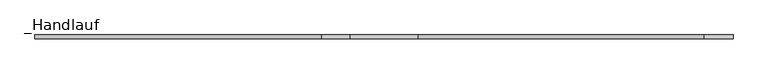
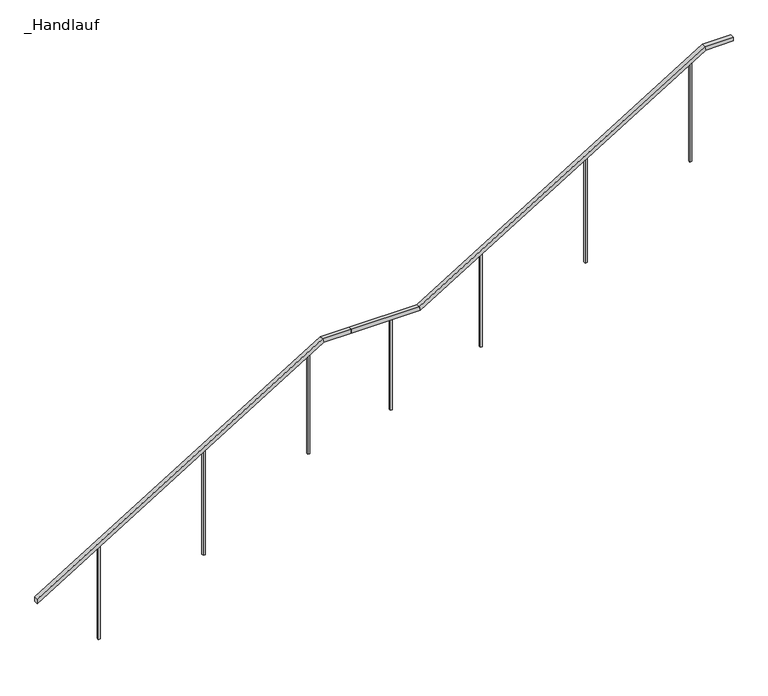
"""IFC4 building model written with IfcOpenShell, lengths in millimetres: railing geometry, _Handlauf."""

from ifc_helpers import new_model, si_unit, frame, origin, place, context, project, spatial, polyline, outline, extrude, faceted_brep, source, transform, mapped, element, save


def handlauf_0159bdf5(model_context):
    return source(origin(), model_context, "Body", "SolidModel", [
        faceted_brep([(1990.0, 7237.6, 1000.0), (1990.0, 7237.6, 953.0610765), (1990.0, 7197.6, 953.0610765), (1990.0, 7197.6, 1000.0), (4840.0, 7197.6, 2750.0), (4840.0, 7237.6, 2750.0), (4851.3005326, 7197.6, 2710.0), (4851.3005326, 7237.6, 2710.0), (5125.0, 7237.6, 2750.0), (5125.0, 7197.6, 2750.0), (5125.0, 7197.6, 2710.0), (5125.0, 7237.6, 2710.0)], [[[0, 1, 2, 3]], [[0, 3, 4, 5]], [[3, 2, 6, 4]], [[2, 1, 7, 6]], [[1, 0, 5, 7]], [[8, 9, 10, 11]], [[5, 4, 9, 8]], [[4, 6, 10, 9]], [[6, 7, 11, 10]], [[7, 5, 8, 11]]]),
        faceted_brep([(5125.0, 7237.6, 2750.0), (5125.0, 7237.6, 2710.0), (5125.0, 7197.6, 2710.0), (5125.0, 7197.6, 2750.0), (5805.2300045, 7237.6, 2750.0), (5805.2300045, 7197.6, 2750.0), (5816.5305371, 7197.6, 2710.0), (5816.5305371, 7237.6, 2710.0)], [[[0, 1, 2, 3]], [[4, 5, 6, 7]], [[0, 3, 5, 4]], [[3, 2, 6, 5]], [[2, 1, 7, 6]], [[1, 0, 4, 7]]]),
        faceted_brep([(5805.2300045, 7237.6, 2750.0), (5816.5305371, 7237.6, 2710.0), (5816.5305371, 7197.6, 2710.0), (5805.2300045, 7197.6, 2750.0), (8655.2300045, 7197.6, 4500.0), (8655.2300045, 7237.6, 4500.0), (8666.5305371, 7197.6, 4460.0), (8666.5305371, 7237.6, 4460.0), (8940.2300045, 7237.6, 4500.0), (8940.2300045, 7197.6, 4500.0), (8940.2300045, 7197.6, 4460.0), (8940.2300045, 7237.6, 4460.0)], [[[0, 1, 2, 3]], [[0, 3, 4, 5]], [[3, 2, 6, 4]], [[2, 1, 7, 6]], [[1, 0, 5, 7]], [[8, 9, 10, 11]], [[5, 4, 9, 8]], [[4, 6, 10, 9]], [[6, 7, 11, 10]], [[7, 5, 8, 11]]]),
        extrude(outline(polyline([(3325.0, 8512.2300045), (3325.0, 8532.2300045), (4384.4736842, 8532.2300045), (4372.1929825, 8512.2300045), (3325.0, 8512.2300045)])), frame((0.0, 7207.6, 0.0), z_axis=(0.0, 1.0, 0.0), x_axis=(0.0, 0.0, 1.0)), (0.0, 0.0, 1.0), 20.0),
        extrude(outline(polyline([(2625.0, 7467.2300045), (2625.0, 7487.2300045), (3742.8070175, 7487.2300045), (3730.5263158, 7467.2300045), (2625.0, 7467.2300045)])), frame((0.0, 7207.6, 0.0), z_axis=(0.0, 1.0, 0.0), x_axis=(0.0, 0.0, 1.0)), (0.0, 0.0, 1.0), 20.0),
        extrude(outline(polyline([(2100.0, 6422.2300045), (2100.0, 6442.2300045), (3101.1403509, 6442.2300045), (3088.8596491, 6422.2300045), (2100.0, 6422.2300045)])), frame((0.0, 7207.6, 0.0), z_axis=(0.0, 1.0, 0.0), x_axis=(0.0, 0.0, 1.0)), (0.0, 0.0, 1.0), 20.0),
        extrude(outline(polyline([(5523.1380027, 7227.6), (5543.1380027, 7227.6), (5543.1380027, 7207.6), (5523.1380027, 7207.6), (5523.1380027, 7227.6)])), frame((0.0, 0.0, 1750.0), z_axis=(0.0, 0.0, 1.0), x_axis=(1.0, 0.0, 0.0)), (0.0, 0.0, 1.0), 960.0),
        extrude(outline(polyline([(1575.0, 4697.0), (1575.0, 4717.0), (2634.4736842, 4717.0), (2622.1929825, 4697.0), (1575.0, 4697.0)])), frame((0.0, 7207.6, 0.0), z_axis=(0.0, 1.0, 0.0), x_axis=(0.0, 0.0, 1.0)), (0.0, 0.0, 1.0), 20.0),
        extrude(outline(polyline([(875.0, 3652.0), (875.0, 3672.0), (1992.8070175, 3672.0), (1980.5263158, 3652.0), (875.0, 3652.0)])), frame((0.0, 7207.6, 0.0), z_axis=(0.0, 1.0, 0.0), x_axis=(0.0, 0.0, 1.0)), (0.0, 0.0, 1.0), 20.0),
        extrude(outline(polyline([(350.0, 2607.0), (350.0, 2627.0), (1351.1403509, 2627.0), (1338.8596491, 2607.0), (350.0, 2607.0)])), frame((0.0, 7207.6, 0.0), z_axis=(0.0, 1.0, 0.0), x_axis=(0.0, 0.0, 1.0)), (0.0, 0.0, 1.0), 20.0),
    ])


if __name__ == "__main__":
    model = new_model("IFC4")
    model_context = context("Model", 3, world=origin())
    ifc_project = project(units=[si_unit("LENGTHUNIT", "METRE", prefix="MILLI")], contexts=[model_context])
    site = spatial("IfcSite", under=ifc_project)
    building = spatial("IfcBuilding", under=site)
    placement = place(None, origin())
    handlauf_shape = handlauf_0159bdf5(model_context)
    element("IfcRailing", 1, ObjectType="_Handlauf", at=placement, inside=building, context=model_context, shape_type="MappedRepresentation", body=[
        mapped(handlauf_shape, transform((0.0, 0.0, 0.0), x_axis=(1.0, 0.0, 0.0), y_axis=(0.0, 1.0, 0.0), z_axis=(0.0, 0.0, 1.0))),
    ])
    save(model, "model.ifc")
